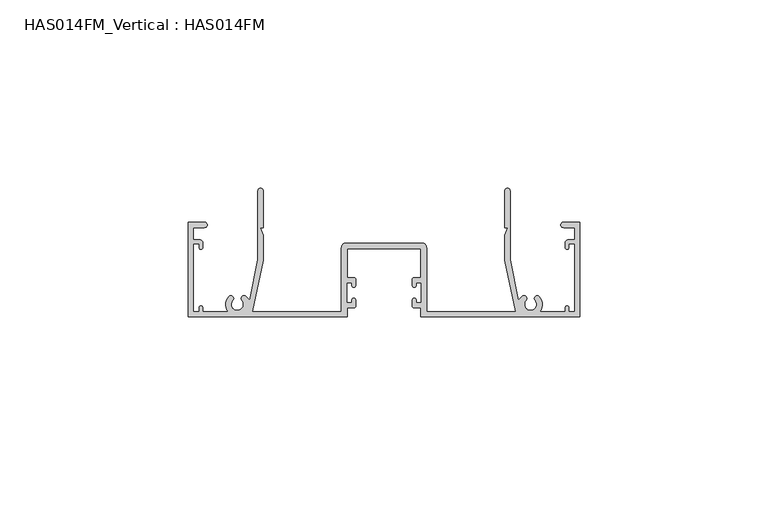
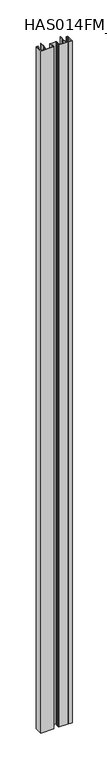
"""IFC4 building model written with IfcOpenShell, lengths in millimetres: beam geometry, HAS014FM_Vertical : HAS014FM."""

from ifc_helpers import new_model, si_unit, point, frame, frame_2d, origin, place, context, project, spatial, polyline, circle_curve, trimmed, segment, composite_curve, outline, extrude, source, transform, mapped, element, save


def has014fm_vertical_has014fm_55ebe05d(model_context):
    return source(origin(), model_context, "Body", "SweptSolid", [
        extrude(outline(composite_curve([segment(polyline([(9.7397316, -31.7708648), (8.0332081, -31.7708648)]), True, "CONTINUOUS"), segment(trimmed(circle_curve(frame_2d((8.0332081, -31.2689461)), 0.5019187), [point((8.0332081, -31.7708648))], [point((7.5312895, -31.2689461))], False, "CARTESIAN"), True, "CONTINUOUS"), segment(polyline([(7.5312895, -31.2689461), (7.5312895, -29.6635739)]), True, "CONTINUOUS"), segment(trimmed(circle_curve(frame_2d((8.0332081, -29.6635739)), 0.5019187), [point((7.5312895, -29.6635739))], [point((8.5351268, -29.6635739))], False, "CARTESIAN"), True, "CONTINUOUS"), segment(polyline([(8.5351268, -29.6635739), (8.5351268, -30.4658763), (9.940499, -30.4658763), (9.940499, -25.0451548), (8.5351268, -25.0451548), (8.5351268, -25.8474572)]), True, "CONTINUOUS"), segment(trimmed(circle_curve(frame_2d((8.0332081, -25.8474572)), 0.5019187), [point((8.5351268, -25.8474572))], [point((7.5312895, -25.8474572))], False, "CARTESIAN"), True, "CONTINUOUS"), segment(polyline([(7.5312895, -25.8474572), (7.5312895, -24.2420849)]), True, "CONTINUOUS"), segment(trimmed(circle_curve(frame_2d((8.0332081, -24.2420849)), 0.5019187), [point((7.5312895, -24.2420849))], [point((8.0332081, -23.7401663))], False, "CARTESIAN"), True, "CONTINUOUS"), segment(polyline([(8.0332081, -23.7401663), (9.7397316, -23.7401663), (9.7397316, -16.1110027), (-9.7397316, -16.1110027), (-9.7397316, -23.7401663), (-8.0332081, -23.7401663)]), True, "CONTINUOUS"), segment(trimmed(circle_curve(frame_2d((-8.0332081, -24.2420849)), 0.5019187), [point((-8.0332081, -23.7401663))], [point((-7.5312895, -24.2420849))], False, "CARTESIAN"), True, "CONTINUOUS"), segment(polyline([(-7.5312895, -24.2420849), (-7.5312895, -25.8474572)]), True, "CONTINUOUS"), segment(trimmed(circle_curve(frame_2d((-8.0332081, -25.8474572)), 0.5019187), [point((-7.5312895, -25.8474572))], [point((-8.5351268, -25.8474572))], False, "CARTESIAN"), True, "CONTINUOUS"), segment(polyline([(-8.5351268, -25.8474572), (-8.5351268, -25.0451548), (-9.940499, -25.0451548), (-9.940499, -30.4658763), (-8.5351268, -30.4658763), (-8.5351268, -29.6635739)]), True, "CONTINUOUS"), segment(trimmed(circle_curve(frame_2d((-8.0332081, -29.6635739)), 0.5019187), [point((-8.5351268, -29.6635739))], [point((-7.5312895, -29.6635739))], False, "CARTESIAN"), True, "CONTINUOUS"), segment(polyline([(-7.5312895, -29.6635739), (-7.5312895, -31.2689461)]), True, "CONTINUOUS"), segment(trimmed(circle_curve(frame_2d((-8.0332081, -31.2689461)), 0.5019187), [point((-7.5312895, -31.2689461))], [point((-8.0332081, -31.7708648))], False, "CARTESIAN"), True, "CONTINUOUS"), segment(polyline([(-8.0332081, -31.7708648), (-9.7397316, -31.7708648), (-9.7397316, -34.1298825), (-51.998773, -34.1298825), (-51.998773, -9.0339496), (-47.6822725, -9.0339496)]), True, "CONTINUOUS"), segment(trimmed(circle_curve(frame_2d((-47.6822725, -9.7366357)), 0.7026861), [point((-47.6822725, -9.0339496))], [point((-47.6822725, -10.4393218))], False, "CARTESIAN"), True, "CONTINUOUS"), segment(polyline([(-47.6822725, -10.4393218), (-50.6435926, -10.4393218), (-50.6435926, -13.7017931), (-48.9370692, -13.7017931)]), True, "CONTINUOUS"), segment(trimmed(circle_curve(frame_2d((-48.9370692, -14.504863)), 0.8030699), [point((-48.9370692, -13.7017931))], [point((-48.1339993, -14.504863))], False, "CARTESIAN"), True, "CONTINUOUS"), segment(polyline([(-48.1339993, -14.504863), (-48.1339993, -15.7094677)]), True, "CONTINUOUS"), segment(trimmed(circle_curve(frame_2d((-48.635918, -15.7094677)), 0.5019187), [point((-48.1339993, -15.7094677))], [point((-49.1378366, -15.7094677))], False, "CARTESIAN"), True, "CONTINUOUS"), segment(polyline([(-49.1378366, -15.7094677), (-49.1378366, -14.7056304), (-50.6435926, -14.7056304), (-50.6435926, -32.7747021), (-49.1378366, -32.7747021), (-49.1378366, -31.7708648)]), True, "CONTINUOUS"), segment(trimmed(circle_curve(frame_2d((-48.635918, -31.7708648)), 0.5019187), [point((-49.1378366, -31.7708648))], [point((-48.1339993, -31.7708648))], False, "CARTESIAN"), True, "CONTINUOUS"), segment(polyline([(-48.1339993, -31.7708648), (-48.1339993, -32.7747021), (-41.4082317, -32.7747021)]), True, "CONTINUOUS"), segment(trimmed(circle_curve(frame_2d((-38.9488879, -30.8679975)), 3.1118957), [point((-41.4082317, -32.7747021))], [point((-41.283567, -28.810531))], False, "CARTESIAN"), True, "CONTINUOUS"), segment(trimmed(circle_curve(frame_2d((-40.7187253, -29.3083052)), 0.752878), [point((-41.283567, -28.810531))], [point((-40.1538835, -29.8060793))], False, "CARTESIAN"), True, "CONTINUOUS"), segment(trimmed(circle_curve(frame_2d((-38.9488879, -30.8679975)), 1.6061397), [point((-40.1538835, -29.8060793))], [point((-38.9120232, -32.4737141))], True, "CARTESIAN"), True, "CONTINUOUS"), segment(trimmed(circle_curve(frame_2d((-38.9488879, -30.8679975)), 1.6061397), [point((-38.9120232, -32.4737141))], [point((-37.7438922, -29.8060793))], True, "CARTESIAN"), True, "CONTINUOUS"), segment(trimmed(circle_curve(frame_2d((-37.1790505, -29.3083052)), 0.752878), [point((-37.7438922, -29.8060793))], [point((-36.6142088, -28.810531))], False, "CARTESIAN"), True, "CONTINUOUS"), segment(polyline([(-36.6142088, -28.810531), (-35.692704, -29.7320358), (-33.4779745, -18.9347678), (-33.4779745, -0.6775902)]), True, "CONTINUOUS"), segment(trimmed(circle_curve(frame_2d((-32.8003843, -0.6775902)), 0.6775902), [point((-33.4779745, -0.6775902))], [point((-32.1227941, -0.6775902))], False, "CARTESIAN"), True, "CONTINUOUS"), segment(polyline([(-32.1227941, -0.6775902), (-32.1227941, -10.5402918), (-32.925864, -10.5402918), (-32.1227941, -12.4331683), (-32.1227941, -19.0723228), (-34.9335386, -32.7752884), (-11.2956794, -32.7752884), (-11.2956794, -15.7596596)]), True, "CONTINUOUS"), segment(trimmed(circle_curve(frame_2d((-10.0910746, -15.7596596)), 1.2046048), [point((-11.2956794, -15.7596596))], [point((-10.0910746, -14.5550548))], False, "CARTESIAN"), True, "CONTINUOUS"), segment(polyline([(-10.0910746, -14.5550548), (10.0910746, -14.5550548)]), True, "CONTINUOUS"), segment(trimmed(circle_curve(frame_2d((10.0910746, -15.7596596)), 1.2046048), [point((10.0910746, -14.5550548))], [point((11.2956794, -15.7596596))], False, "CARTESIAN"), True, "CONTINUOUS"), segment(polyline([(11.2956794, -15.7596596), (11.2956794, -32.7752884), (34.9335386, -32.7752884), (32.1227941, -19.0723228), (32.1227941, -12.4331683), (32.925864, -10.5402918), (32.1227941, -10.5402918), (32.1227941, -0.6775902)]), True, "CONTINUOUS"), segment(trimmed(circle_curve(frame_2d((32.8003843, -0.6775902)), 0.6775902), [point((32.1227941, -0.6775902))], [point((33.4779745, -0.6775902))], False, "CARTESIAN"), True, "CONTINUOUS"), segment(polyline([(33.4779745, -0.6775902), (33.4779745, -18.9347678), (35.692704, -29.7320358), (36.6142088, -28.810531)]), True, "CONTINUOUS"), segment(trimmed(circle_curve(frame_2d((37.1790505, -29.3083052)), 0.752878), [point((36.6142088, -28.810531))], [point((37.7438922, -29.8060793))], False, "CARTESIAN"), True, "CONTINUOUS"), segment(trimmed(circle_curve(frame_2d((38.9488879, -30.8679975)), 1.6061397), [point((37.7438922, -29.8060793))], [point((39.0041772, -32.4731853))], True, "CARTESIAN"), True, "CONTINUOUS"), segment(trimmed(circle_curve(frame_2d((38.9488879, -30.8679975)), 1.6061397), [point((39.0041772, -32.4731853))], [point((40.1538836, -29.8060793))], True, "CARTESIAN"), True, "CONTINUOUS"), segment(trimmed(circle_curve(frame_2d((40.7187253, -29.3083052)), 0.752878), [point((40.1538836, -29.8060793))], [point((41.283567, -28.810531))], False, "CARTESIAN"), True, "CONTINUOUS"), segment(trimmed(circle_curve(frame_2d((38.9488879, -30.8679975)), 3.1118957), [point((41.283567, -28.810531))], [point((41.4082317, -32.7747021))], False, "CARTESIAN"), True, "CONTINUOUS"), segment(polyline([(41.4082317, -32.7747021), (48.1339993, -32.7747021), (48.1339993, -31.7708648)]), True, "CONTINUOUS"), segment(trimmed(circle_curve(frame_2d((48.635918, -31.7708648)), 0.5019187), [point((48.1339993, -31.7708648))], [point((49.1378366, -31.7708648))], False, "CARTESIAN"), True, "CONTINUOUS"), segment(polyline([(49.1378366, -31.7708648), (49.1378366, -32.7747021), (50.6435926, -32.7747021), (50.6435926, -14.7056304), (49.1378366, -14.7056304), (49.1378366, -15.7094677)]), True, "CONTINUOUS"), segment(trimmed(circle_curve(frame_2d((48.635918, -15.7094677)), 0.5019187), [point((49.1378366, -15.7094677))], [point((48.1339993, -15.7094677))], False, "CARTESIAN"), True, "CONTINUOUS"), segment(polyline([(48.1339993, -15.7094677), (48.1339993, -14.504863)]), True, "CONTINUOUS"), segment(trimmed(circle_curve(frame_2d((48.9370692, -14.504863)), 0.8030699), [point((48.1339993, -14.504863))], [point((48.9370692, -13.7017931))], False, "CARTESIAN"), True, "CONTINUOUS"), segment(polyline([(48.9370692, -13.7017931), (50.6435926, -13.7017931), (50.6435926, -10.4393218), (47.6822725, -10.4393218)]), True, "CONTINUOUS"), segment(trimmed(circle_curve(frame_2d((47.6822725, -9.7366357)), 0.7026861), [point((47.6822725, -10.4393218))], [point((47.6822725, -9.0339496))], False, "CARTESIAN"), True, "CONTINUOUS"), segment(polyline([(47.6822725, -9.0339496), (51.998773, -9.0339496), (51.998773, -34.1298825), (9.7397316, -34.1298825), (9.7397316, -31.7708648)]), True, "CONTINUOUS")], self_intersect=False)), frame((0.0, 0.0, -1200.0), z_axis=(0.0, 0.0, 1.0), x_axis=(1.0, 0.0, 0.0)), (0.0, 0.0, 1.0), 2400.0),
    ])


if __name__ == "__main__":
    model = new_model("IFC4")
    model_context = context("Model", 3, world=origin())
    ifc_project = project(units=[si_unit("LENGTHUNIT", "METRE", prefix="MILLI")], contexts=[model_context])
    site = spatial("IfcSite", under=ifc_project)
    building = spatial("IfcBuilding", under=site)
    placement = place(None, origin())
    has014fm_vertical_has014fm_shape = has014fm_vertical_has014fm_55ebe05d(model_context)
    element("IfcBeam", 1, ObjectType="HAS014FM_Vertical : HAS014FM", at=placement, inside=building, context=model_context, shape_type="MappedRepresentation", body=[
        mapped(has014fm_vertical_has014fm_shape, transform((0.0, 0.0, 0.0), x_axis=(1.0, 0.0, 0.0), y_axis=(0.0, 1.0, 0.0), z_axis=(0.0, 0.0, 1.0))),
    ])
    save(model, "model.ifc")
